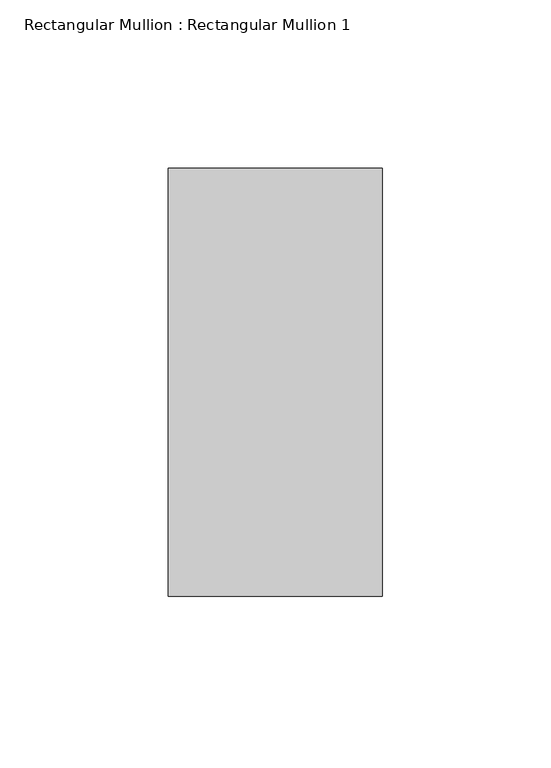
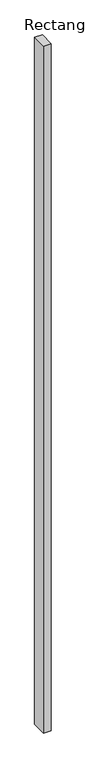
"""IFC4 building model written with IfcOpenShell, lengths in millimetres: member geometry, Rectangular Mullion : Rectangular Mullion 1."""

from ifc_helpers import new_model, si_unit, frame, origin, place, context, project, spatial, polyline, outline, extrude, source, transform, mapped, element, save


def rectangular_mullion_rectangular_mullion_1_5202d4cf(model_context):
    return source(origin(), model_context, "Body", "SweptSolid", [
        extrude(outline(polyline([(0.0, 63.5), (0.0, -63.5), (-63.5, -63.5), (-63.5, 63.5), (0.0, 63.5)])), frame((0.0, 0.0, -6037.5667856), z_axis=(0.0, 0.0, 1.0), x_axis=(1.0, 0.0, 0.0)), (0.0, 0.0, 1.0), 6037.5667856),
    ])


if __name__ == "__main__":
    model = new_model("IFC4")
    model_context = context("Model", 3, world=origin())
    ifc_project = project(units=[si_unit("LENGTHUNIT", "METRE", prefix="MILLI")], contexts=[model_context])
    site = spatial("IfcSite", under=ifc_project)
    building = spatial("IfcBuilding", under=site)
    placement = place(None, origin())
    rectangular_mullion_rectangular_mullion_1_shape = rectangular_mullion_rectangular_mullion_1_5202d4cf(model_context)
    element("IfcMember", 1, ObjectType="Rectangular Mullion : Rectangular Mullion 1", at=placement, inside=building, context=model_context, shape_type="MappedRepresentation", body=[
        mapped(rectangular_mullion_rectangular_mullion_1_shape, transform((0.0, 0.0, 0.0), x_axis=(1.0, 0.0, 0.0), y_axis=(0.0, 1.0, 0.0), z_axis=(0.0, 0.0, 1.0))),
    ])
    save(model, "model.ifc")
